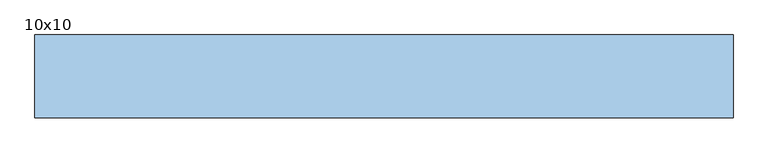
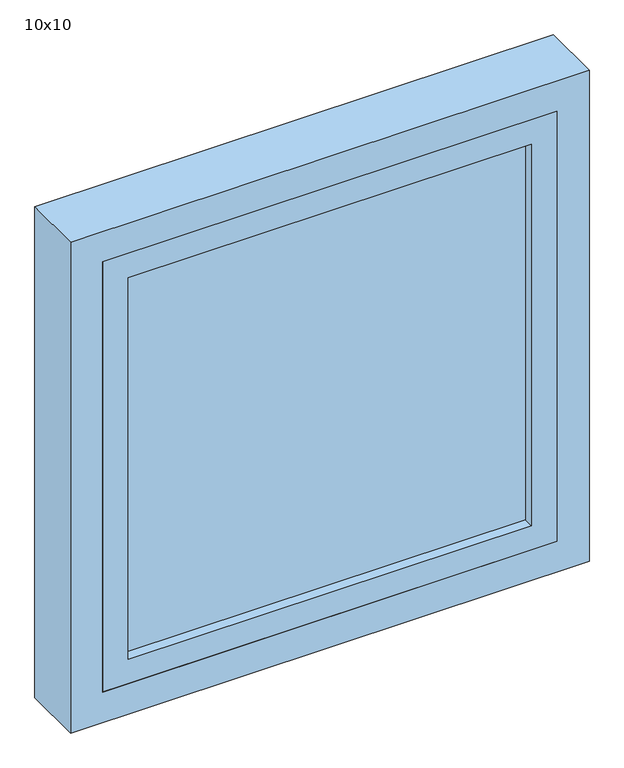
"""IFC4 building model written with IfcOpenShell, lengths in millimetres: window geometry, 10x10."""

from ifc_helpers import new_model, si_unit, frame, origin, place, context, project, spatial, polyline, outline, extrude, source, transform, mapped, element, save


def window_10x10_7b14b8d6(model_context):
    return source(origin(), model_context, "Body", "SweptSolid", [
        extrude(outline(polyline([(2150.0, -505.0), (1140.0, -505.0), (1140.0, 505.0), (2150.0, 505.0), (2150.0, -505.0)]), holes=[polyline([(2087.5, -442.5), (2087.5, 442.5), (1202.5, 442.5), (1202.5, -442.5), (2087.5, -442.5)])]), frame((0.0, 128.0, 0.0), z_axis=(0.0, 1.0, 0.0), x_axis=(0.0, 0.0, 1.0)), (0.0, 0.0, 1.0), 120.0),
        extrude(outline(polyline([(392.5, 148.0), (-392.5, 148.0), (-392.5, 228.0), (392.5, 228.0), (392.5, 148.0)])), frame((0.0, 0.0, 1252.5), z_axis=(0.0, 0.0, 1.0), x_axis=(1.0, 0.0, 0.0)), (0.0, 0.0, 1.0), 785.0),
        extrude(outline(polyline([(2087.5, -442.5), (1202.5, -442.5), (1202.5, 442.5), (2087.5, 442.5), (2087.5, -442.5)]), holes=[polyline([(2037.5, -392.5), (2037.5, 392.5), (1252.5, 392.5), (1252.5, -392.5), (2037.5, -392.5)])]), frame((0.0, 128.0, 0.0), z_axis=(0.0, 1.0, 0.0), x_axis=(0.0, 0.0, 1.0)), (0.0, 0.0, 1.0), 120.0),
    ])


if __name__ == "__main__":
    model = new_model("IFC4")
    model_context = context("Model", 3, world=origin())
    ifc_project = project(units=[si_unit("LENGTHUNIT", "METRE", prefix="MILLI")], contexts=[model_context])
    site = spatial("IfcSite", under=ifc_project)
    building = spatial("IfcBuilding", under=site)
    placement = place(None, origin())
    window_10x10_shape = window_10x10_7b14b8d6(model_context)
    element("IfcWindow", 1, ObjectType="10x10", at=placement, inside=building, context=model_context, shape_type="MappedRepresentation", body=[
        mapped(window_10x10_shape, transform((0.0, 0.0, 0.0), x_axis=(1.0, 0.0, 0.0), y_axis=(0.0, 1.0, 0.0), z_axis=(0.0, 0.0, 1.0))),
    ])
    save(model, "model.ifc")
